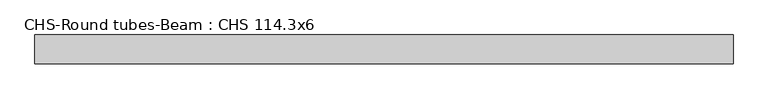
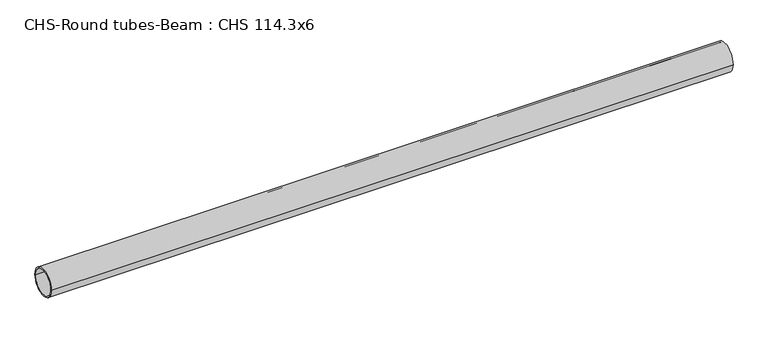
"""IFC4 building model written with IfcOpenShell, lengths in millimetres: beam geometry, CHS-Round tubes-Beam : CHS 114.3x6."""

from ifc_helpers import new_model, si_unit, point, frame, origin, origin_2d, place, context, project, spatial, circle_curve, trimmed, segment, composite_curve, outline, extrude, source, transform, mapped, element, save


def chs_round_tubes_beam_chs_114_3x6_57f261c4(model_context):
    return source(origin(), model_context, "Body", "SweptSolid", [
        extrude(outline(composite_curve([segment(trimmed(circle_curve(origin_2d(), 57.15), [point((57.15, 0.0))], [point((-57.15, 0.0))], False, "CARTESIAN"), True, "CONTINUOUS"), segment(trimmed(circle_curve(origin_2d(), 57.15), [point((-57.15, 0.0))], [point((57.15, 0.0))], False, "CARTESIAN"), True, "CONTINUOUS")], self_intersect=False), holes=[composite_curve([segment(trimmed(circle_curve(origin_2d(), 51.15), [point((51.15, 0.0))], [point((-51.15, 0.0))], True, "CARTESIAN"), True, "CONTINUOUS"), segment(trimmed(circle_curve(origin_2d(), 51.15), [point((-51.15, 0.0))], [point((51.15, 0.0))], True, "CARTESIAN"), True, "CONTINUOUS")], self_intersect=False)]), frame((-1303.7552365, 0.0, 0.0), z_axis=(1.0, 0.0, 0.0), x_axis=(0.0, 1.0, 0.0)), (0.0, 0.0, 1.0), 2752.2788306),
    ])


if __name__ == "__main__":
    model = new_model("IFC4")
    model_context = context("Model", 3, world=origin())
    ifc_project = project(units=[si_unit("LENGTHUNIT", "METRE", prefix="MILLI")], contexts=[model_context])
    site = spatial("IfcSite", under=ifc_project)
    building = spatial("IfcBuilding", under=site)
    placement = place(None, origin())
    chs_round_tubes_beam_chs_114_3x6_shape = chs_round_tubes_beam_chs_114_3x6_57f261c4(model_context)
    element("IfcBeam", 1, ObjectType="CHS-Round tubes-Beam : CHS 114.3x6", at=placement, inside=building, context=model_context, shape_type="MappedRepresentation", body=[
        mapped(chs_round_tubes_beam_chs_114_3x6_shape, transform((0.0, 0.0, 0.0), x_axis=(1.0, 0.0, 0.0), y_axis=(0.0, 1.0, 0.0), z_axis=(0.0, 0.0, 1.0))),
    ])
    save(model, "model.ifc")
